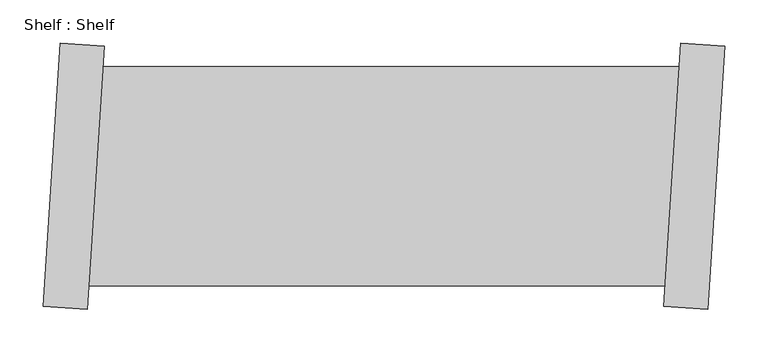
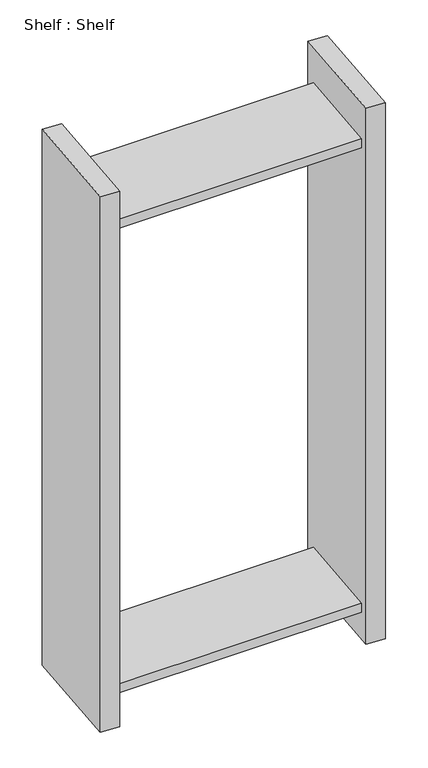
"""IFC4 building model written with IfcOpenShell, lengths in millimetres: proxy geometry, Shelf : Shelf."""

from ifc_helpers import new_model, si_unit, origin, place, context, project, spatial, faceted_brep, source, transform, mapped, element, save


def shelf_shelf_893fb2dd(model_context):
    return source(origin(), model_context, "Body", "Brep", [
        faceted_brep([(-413.0635573, 126.7328974, 1422.4), (-413.0635573, 126.7328974, 1397.0), (-1078.253289, 126.7328974, 1397.0), (-1078.253289, 126.7328974, 1422.4), (-429.5283947, -126.7328974, 1397.0), (-1094.7181264, -126.7328974, 1397.0), (-429.5283947, -126.7328974, 1422.4), (-1094.7181264, -126.7328974, 1422.4), (-360.616961, 150.4329931, 0.0), (-380.3747659, -153.7259606, 0.0), (-431.0679248, -150.4329931, 0.0), (-411.3101199, 153.7259606, 0.0), (-380.3747659, -153.7259606, 1524.0), (-431.0679248, -150.4329931, 1524.0), (-360.616961, 150.4329931, 1524.0), (-411.3101199, 153.7259606, 1524.0), (-429.5283947, -126.7328974, 76.2), (-413.0635573, 126.7328974, 76.2), (-413.0635573, 126.7328974, 101.6), (-429.5283947, -126.7328974, 101.6), (-1094.7181264, -126.7328974, 76.2), (-1078.253289, 126.7328974, 76.2), (-1094.7181264, -126.7328974, 101.6), (-1078.253289, 126.7328974, 101.6), (-1147.1647228, -150.4329931, 0.0), (-1127.4069179, 153.7259606, 0.0), (-1076.7137589, 150.4329931, 0.0), (-1096.4715638, -153.7259606, 0.0), (-1096.4715638, -153.7259606, 1524.0), (-1147.1647228, -150.4329931, 1524.0), (-1076.7137589, 150.4329931, 1524.0), (-1127.4069179, 153.7259606, 1524.0)], [[[0, 1, 2, 3]], [[1, 4, 5, 2]], [[4, 6, 7, 5]], [[6, 0, 3, 7]], [[8, 9, 10, 11]], [[10, 9, 12, 13]], [[13, 12, 14, 15]], [[8, 11, 15, 14]], [[11, 10, 13, 15], [1, 0, 6, 4], [16, 17, 18, 19]], [[9, 8, 14, 12]], [[17, 16, 20, 21]], [[16, 19, 22, 20]], [[19, 18, 23, 22]], [[18, 17, 21, 23]], [[24, 25, 26, 27]], [[24, 27, 28, 29]], [[29, 28, 30, 31]], [[26, 25, 31, 30]], [[27, 26, 30, 28], [3, 2, 5, 7], [21, 20, 22, 23]], [[25, 24, 29, 31]]]),
    ])


if __name__ == "__main__":
    model = new_model("IFC4")
    model_context = context("Model", 3, world=origin())
    ifc_project = project(units=[si_unit("LENGTHUNIT", "METRE", prefix="MILLI")], contexts=[model_context])
    site = spatial("IfcSite", under=ifc_project)
    building = spatial("IfcBuilding", under=site)
    placement = place(None, origin())
    shelf_shelf_shape = shelf_shelf_893fb2dd(model_context)
    element("IfcBuildingElementProxy", 1, Name="Shelf : Shelf", ObjectType="Shelf : Shelf", at=placement, inside=building, context=model_context, shape_type="MappedRepresentation", body=[
        mapped(shelf_shelf_shape, transform((0.0, 0.0, 0.0), x_axis=(1.0, 0.0, 0.0), y_axis=(0.0, 1.0, 0.0), z_axis=(0.0, 0.0, 1.0))),
    ])
    save(model, "model.ifc")
